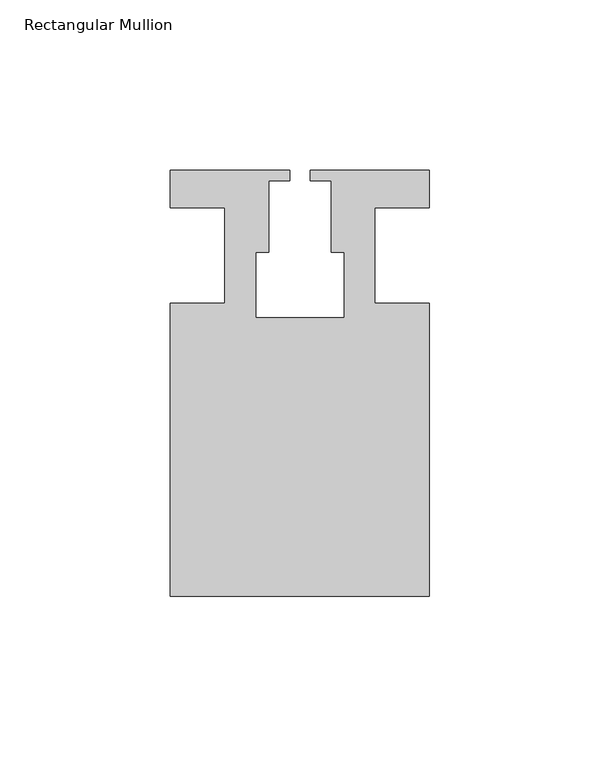
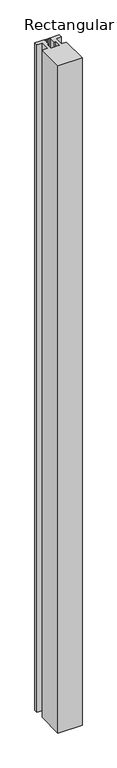
"""IFC4 building model written with IfcOpenShell, lengths in millimetres: member geometry, Rectangular Mullion."""

from ifc_helpers import new_model, si_unit, frame, origin, place, context, project, spatial, polyline, outline, extrude, source, transform, mapped, element, save


def rectangular_mullion_3b59af33(model_context):
    return source(origin(), model_context, "Body", "SweptSolid", [
        extrude(outline(polyline([(37.9999914, -99.9960123), (-37.9999896, -99.9960123), (-37.9999896, -13.9960123), (-21.9999633, -13.9960123), (-21.9999633, 14.0039877), (-37.9999896, 14.0039877), (-37.9999896, 25.0039877), (-2.9999896, 25.0039877), (-2.9999896, 22.0039877), (-9.1999633, 22.0039877), (-9.1999633, 1.0039877), (-12.9999633, 1.0039877), (-12.9999633, -18.1960075), (12.9999651, -18.1960075), (12.9999651, 1.0039877), (9.1999651, 1.0039877), (9.1999651, 22.0039877), (2.9999651, 22.0039877), (2.9999651, 25.0039877), (37.9999896, 25.0039877), (37.9999896, 14.0039877), (21.9999651, 14.0039877), (21.9999651, -13.9960123), (37.9999914, -13.9960123), (37.9999914, -99.9960123)])), frame((0.0, 0.0, -2216.0199255), z_axis=(0.0, 0.0, 1.0), x_axis=(1.0, 0.0, 0.0)), (0.0, 0.0, 1.0), 2216.0199255),
    ])


if __name__ == "__main__":
    model = new_model("IFC4")
    model_context = context("Model", 3, world=origin())
    ifc_project = project(units=[si_unit("LENGTHUNIT", "METRE", prefix="MILLI")], contexts=[model_context])
    site = spatial("IfcSite", under=ifc_project)
    building = spatial("IfcBuilding", under=site)
    placement = place(None, origin())
    rectangular_mullion_shape = rectangular_mullion_3b59af33(model_context)
    element("IfcMember", 1, ObjectType="Rectangular Mullion", at=placement, inside=building, context=model_context, shape_type="MappedRepresentation", body=[
        mapped(rectangular_mullion_shape, transform((0.0, 0.0, 0.0), x_axis=(1.0, 0.0, 0.0), y_axis=(0.0, 1.0, 0.0), z_axis=(0.0, 0.0, 1.0))),
    ])
    save(model, "model.ifc")
